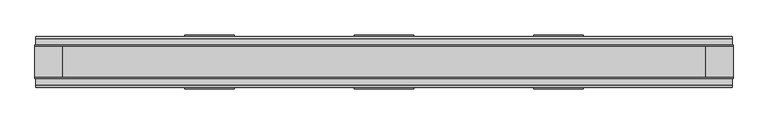
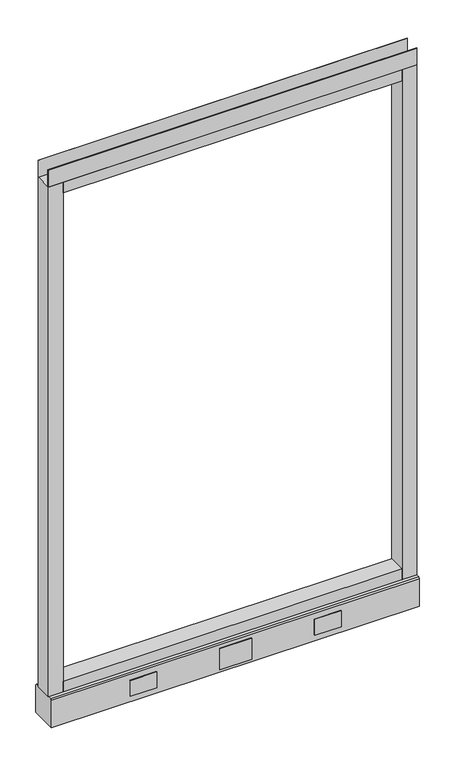
"""IFC4 building model written with IfcOpenShell, lengths in millimetres: furniture geometry."""

from ifc_helpers import new_model, si_unit, point, frame, frame_2d, origin, place, context, project, spatial, polyline, circle_curve, trimmed, segment, composite_curve, outline, extrude, source, transform, mapped, element, save
from ifc_brep_helpers import plane_surface, revolved_surface, advanced_brep


def furniture_da5fd2b6(model_context):
    return source(origin(), model_context, "Body", "SolidModel", [
        advanced_brep(
        [(463.55, 0.0, 6.35), (488.95, 0.0, 6.35), (457.2, 0.0, 0.0), (495.3, 0.0, 0.0)],
        [
            (0, 1, circle_curve(frame((476.25, 0.0, 6.35), z_axis=(-3.04822833645449e-12, 0.0, 1.0), x_axis=(-1.0, 0.0, -3.0481774992714863e-12)), 12.7)),
            (1, 0, circle_curve(frame((476.25, 0.0, 6.35), z_axis=(-3.04822833645449e-12, 0.0, 1.0), x_axis=(1.0, 0.0, 3.0481774992807776e-12)), 12.7)),
            (2, 3, circle_curve(frame((476.25, 0.0, 0.0), z_axis=(3.04822833645449e-12, 0.0, -1.0), x_axis=(1.0, 0.0, 3.0481774992807776e-12)), 19.05)),
            (3, 2, circle_curve(frame((476.25, 0.0, 0.0), z_axis=(3.04822833645449e-12, 0.0, -1.0), x_axis=(-1.0, 0.0, -3.0481774992714863e-12)), 19.05)),
            (3, 1),
            (0, 2),
        ],
        [
            plane_surface(frame((476.25, 0.0, 6.35), z_axis=(0.0, 0.0, 1.0), x_axis=(0.0, -1.0, 0.0))),
            plane_surface(frame((476.25, 0.0, 0.0), z_axis=(0.0, 0.0, -1.0), x_axis=(0.0, -1.0, 0.0))),
            revolved_surface(polyline([(463.55, 0.0, 6.35), (457.19999999988386, 0.0, -1.1613821015998838e-10)]), (476.25, 0.0, 19.05), (3.04822833645449e-12, 0.0, -1.0)),
            revolved_surface(polyline([(488.94999999992257, 0.0, 6.350000000077424), (495.3, 0.0, 0.0)]), (476.25, 0.0, 19.05), (3.04822833645449e-12, 0.0, -1.0)),
        ],
        [
            (0, [[1, 2]]),
            (1, [[3, 4]]),
            (2, [[-4, 5, -1, 6]]),
            (3, [[-3, -6, -2, -5]]),
        ],
    ),
        advanced_brep(
        [(-488.95, 0.0, 6.35), (-463.55, 0.0, 6.35), (-495.3, 0.0, 0.0), (-457.2, 0.0, 0.0)],
        [
            (0, 1, circle_curve(frame((-476.25, 0.0, 6.35), z_axis=(1.065814103655416e-12, 0.0, 1.0), x_axis=(-1.0, 0.0, 1.065778760947478e-12)), 12.7)),
            (1, 0, circle_curve(frame((-476.25, 0.0, 6.35), z_axis=(1.065814103655416e-12, 0.0, 1.0), x_axis=(1.0, 0.0, -1.0657787609463422e-12)), 12.7)),
            (2, 3, circle_curve(frame((-476.25, 0.0, 0.0), z_axis=(-1.065814103655416e-12, 0.0, -1.0), x_axis=(1.0, 0.0, -1.0657787609463422e-12)), 19.05)),
            (3, 2, circle_curve(frame((-476.25, 0.0, 0.0), z_axis=(-1.065814103655416e-12, 0.0, -1.0), x_axis=(-1.0, 0.0, 1.065778760947478e-12)), 19.05)),
            (3, 1),
            (0, 2),
        ],
        [
            plane_surface(frame((-476.25, 0.0, 6.35), z_axis=(0.0, 0.0, 1.0), x_axis=(0.0, -1.0, 0.0))),
            plane_surface(frame((-476.25, 0.0, 0.0), z_axis=(0.0, 0.0, -1.0), x_axis=(0.0, -1.0, 0.0))),
            revolved_surface(polyline([(-488.94999999997293, 0.0, 6.350000000027071), (-495.3, 0.0, 0.0)]), (-476.25, 0.0, 19.05), (-1.065814103655416e-12, 0.0, -1.0)),
            revolved_surface(polyline([(-463.55, 0.0, 6.35), (-457.1999999999594, 0.0, -4.0607517348689726e-11)]), (-476.25, 0.0, 19.05), (-1.065814103655416e-12, 0.0, -1.0)),
        ],
        [
            (0, [[1, 2]]),
            (1, [[3, 4]]),
            (2, [[-4, 5, -1, 6]]),
            (3, [[-3, -6, -2, -5]]),
        ],
    ),
        extrude(outline(polyline([(304.8, 39.0921875), (228.6, 39.0921875), (228.6, 41.4020035), (304.8, 41.4020035), (304.8, 39.0921875)])), frame((0.0, 0.0, 32.512), z_axis=(0.0, 0.0, 1.0), x_axis=(1.0, 0.0, 0.0)), (0.0, 0.0, 1.0), 48.26),
        extrude(outline(polyline([(45.7708, 39.0921875), (-45.7708, 39.0921875), (-45.7708, 41.4020035), (45.7708, 41.4020035), (45.7708, 39.0921875)])), frame((0.0, 0.0, 23.8125), z_axis=(0.0, 0.0, 1.0), x_axis=(1.0, 0.0, 0.0)), (0.0, 0.0, 1.0), 63.5),
        extrude(outline(polyline([(-228.6, 39.0921875), (-304.8, 39.0921875), (-304.8, 41.4020035), (-228.6, 41.4020035), (-228.6, 39.0921875)])), frame((0.0, 0.0, 32.512), z_axis=(0.0, 0.0, 1.0), x_axis=(1.0, 0.0, 0.0)), (0.0, 0.0, 1.0), 48.26),
        extrude(outline(polyline([(304.8, -41.4019923), (228.6, -41.4019923), (228.6, -39.0921875), (304.8, -39.0921875), (304.8, -41.4019923)])), frame((0.0, 0.0, 32.512), z_axis=(0.0, 0.0, 1.0), x_axis=(1.0, 0.0, 0.0)), (0.0, 0.0, 1.0), 48.26),
        extrude(outline(polyline([(-228.6, -41.4019923), (-304.8, -41.4019923), (-304.8, -39.0921875), (-228.6, -39.0921875), (-228.6, -41.4019923)])), frame((0.0, 0.0, 32.512), z_axis=(0.0, 0.0, 1.0), x_axis=(1.0, 0.0, 0.0)), (0.0, 0.0, 1.0), 48.26),
        extrude(outline(polyline([(45.7708, -41.4019923), (-45.7708, -41.4019923), (-45.7708, -39.0921875), (45.7708, -39.0921875), (45.7708, -41.4019923)])), frame((0.0, 0.0, 23.8125), z_axis=(0.0, 0.0, 1.0), x_axis=(1.0, 0.0, 0.0)), (0.0, 0.0, 1.0), 63.5),
        extrude(outline(polyline([(533.4, -23.8125), (533.4, -25.4), (-533.4, -25.4), (-533.4, -23.8125), (533.4, -23.8125)])), frame((0.0, 0.0, 1661.033), z_axis=(0.0, 0.0, 1.0), x_axis=(1.0, 0.0, 0.0)), (0.0, 0.0, 1.0), 51.435),
        extrude(outline(polyline([(533.4, 25.4), (533.4, 23.8125), (-533.4, 23.8125), (-533.4, 25.4), (533.4, 25.4)])), frame((0.0, 0.0, 1661.033), z_axis=(0.0, 0.0, 1.0), x_axis=(1.0, 0.0, 0.0)), (0.0, 0.0, 1.0), 51.435),
        extrude(outline(polyline([(490.5375, -25.4), (-490.5375, -25.4), (-490.5375, 25.4), (490.5375, 25.4), (490.5375, -25.4)])), frame((0.0, 0.0, 1628.14), z_axis=(0.0, 0.0, 1.0), x_axis=(1.0, 0.0, 0.0)), (0.0, 0.0, 1.0), 32.893),
        extrude(outline(polyline([(490.5375, -25.4), (-490.5375, -25.4), (-490.5375, 25.4), (490.5375, 25.4), (490.5375, -25.4)])), frame((0.0, 0.0, 101.6), z_axis=(0.0, 0.0, 1.0), x_axis=(1.0, 0.0, 0.0)), (0.0, 0.0, 1.0), 32.893),
        extrude(outline(composite_curve([segment(trimmed(circle_curve(frame_2d((-476.25, 0.0)), 5.55625), [point((-481.80625, 0.0))], [point((-470.69375, 0.0))], False, "CARTESIAN"), True, "CONTINUOUS"), segment(trimmed(circle_curve(frame_2d((-476.25, 0.0)), 5.55625), [point((-470.69375, 0.0))], [point((-481.80625, 0.0))], False, "CARTESIAN"), True, "CONTINUOUS")], self_intersect=False)), frame((0.0, 0.0, 6.35), z_axis=(0.0, 0.0, 1.0), x_axis=(1.0, 0.0, 0.0)), (0.0, 0.0, 1.0), 7.9375),
        extrude(outline(composite_curve([segment(trimmed(circle_curve(frame_2d((476.25, 0.0)), 5.55625), [point((470.69375, 0.0))], [point((481.80625, 0.0))], False, "CARTESIAN"), True, "CONTINUOUS"), segment(trimmed(circle_curve(frame_2d((476.25, 0.0)), 5.55625), [point((481.80625, 0.0))], [point((470.69375, 0.0))], False, "CARTESIAN"), True, "CONTINUOUS")], self_intersect=False)), frame((0.0, 0.0, 6.35), z_axis=(0.0, 0.0, 1.0), x_axis=(1.0, 0.0, 0.0)), (0.0, 0.0, 1.0), 7.9375),
        extrude(outline(polyline([(-490.5375, -25.4), (-533.4, -25.4), (-533.4, 25.4), (-490.5375, 25.4), (-490.5375, -25.4)])), frame((0.0, 0.0, 101.6), z_axis=(0.0, 0.0, 1.0), x_axis=(1.0, 0.0, 0.0)), (0.0, 0.0, 1.0), 1559.433),
        extrude(outline(polyline([(533.4, -25.4), (490.5375, -25.4), (490.5375, 25.4), (533.4, 25.4), (533.4, -25.4)])), frame((0.0, 0.0, 101.6), z_axis=(0.0, 0.0, 1.0), x_axis=(1.0, 0.0, 0.0)), (0.0, 0.0, 1.0), 1559.433),
        extrude(outline(polyline([(-35.9171875, 101.6), (35.9171875, 101.6), (39.0921875, 98.425), (39.0921875, 14.2875), (-39.0921875, 14.2875), (-39.0921875, 98.425), (-35.9171875, 101.6)])), frame((-532.257, 0.0, 0.0), z_axis=(1.0, 0.0, 0.0), x_axis=(0.0, 1.0, 0.0)), (0.0, 0.0, 1.0), 1064.5140102),
    ])


if __name__ == "__main__":
    model = new_model("IFC4")
    model_context = context("Model", 3, world=origin())
    ifc_project = project(units=[si_unit("LENGTHUNIT", "METRE", prefix="MILLI")], contexts=[model_context])
    site = spatial("IfcSite", under=ifc_project)
    building = spatial("IfcBuilding", under=site)
    placement = place(None, origin())
    furniture_shape = furniture_da5fd2b6(model_context)
    element("IfcFurniture", 1, at=placement, inside=building, context=model_context, shape_type="MappedRepresentation", body=[
        mapped(furniture_shape, transform((0.0, 0.0, 0.0), x_axis=(1.0, 0.0, 0.0), y_axis=(0.0, 1.0, 0.0), z_axis=(0.0, 0.0, 1.0))),
    ])
    save(model, "model.ifc")
